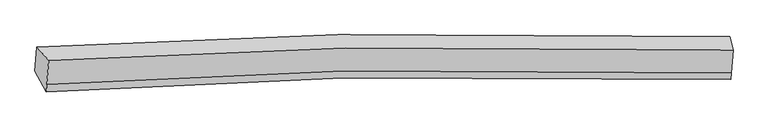
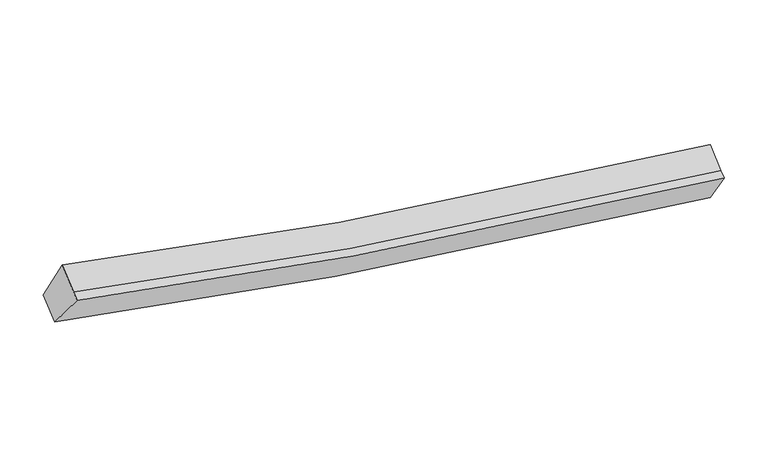
"""IFC4 building model written with IfcOpenShell, lengths in millimetres: proxy geometry."""

from ifc_helpers import new_model, si_unit, frame, origin, place, context, project, spatial, source, transform, mapped, element, save
from ifc_brep_helpers import plane_surface, spline_curve, spline_surface, advanced_brep


def generic_models_598e12d9(model_context):
    return source(origin(), model_context, "Body", "AdvancedBrep", [
        advanced_brep(
        [(-5521.8643096, -1825.6934872, 3974.9857579), (-5310.7267404, -2070.0123312, 4636.1024), (6888.2905743, -1882.5363267, 2630.4208061), (6831.890372, -1640.1136862, 1959.7948344), (-5345.6820243, -2496.9074296, 4374.5087013), (6854.7282392, -2292.4198905, 2379.2514723), (-5356.4773776, -2628.7468231, 4293.7198736), (6844.9775975, -2411.5006329, 2306.2809182), (-5557.0647997, -2255.5831921, 3711.5570178), (6798.8344827, -2043.8122273, 1712.4155721)],
        [
            (0, 1),
            (1, 2, spline_curve(3, [(-5310.7267404, -2070.0123312, 4636.1024), (-3559.564679223, -1961.676849949, 4185.677602317), (-1795.937616648, -1888.784964, 3804.326449018), (2262.286603821, -1803.218702104, 3090.798040388), (4564.998646163, -1813.618586314, 2803.588661958), (6888.2905743, -1882.5363267, 2630.4208061)], [4, 2, 4], [0.0, 17.88936021913779, 40.87571607096389])),
            (2, 3),
            (3, 0, spline_curve(3, [(6831.890372, -1640.1136862, 1959.7948344), (4481.455055359, -1572.13330412, 2140.063803108), (2150.552532702, -1561.943775068, 2431.383394885), (-1959.663689713, -1646.59130347, 3146.902234247), (-3746.679394634, -1718.640766101, 3527.312950268), (-5521.8643096, -1825.6934872, 3974.9857579)], [4, 2, 4], [0.0, 22.9863558518261, 40.87571607096389])),
            (1, 4),
            (4, 5, spline_curve(3, [(-5345.6820243, -2496.9074296, 4374.5087013), (-3593.852437575, -2380.419723089, 3929.079441278), (-1829.761058647, -2301.857325672, 3551.203077153), (2229.05976983, -2209.004922802, 2842.139484713), (4531.771812052, -2219.404807124, 2554.930106058), (6854.7282392, -2292.4198905, 2379.2514723)], [4, 2, 4], [0.0, 17.779331171882873, 40.624308751749695])),
            (5, 2),
            (4, 6),
            (6, 7, spline_curve(3, [(-5356.4773776, -2628.7468231, 4293.7198736), (-3604.147146683, -2506.144947685, 3852.037267687), (-1839.707530938, -2423.329666335, 3476.766994), (2219.560754325, -2325.012658455, 2771.052014854), (4522.272796556, -2335.412542289, 2483.842636038), (6844.9775975, -2411.5006329, 2306.2809182)], [4, 2, 4], [0.0, 17.779209783159835, 40.62403138850605])),
            (7, 5),
            (6, 8),
            (8, 9, spline_curve(3, [(-5557.0647997, -2255.5831921, 3711.5570178), (-3780.852154553, -2135.979206994, 3271.575401236), (-1993.121582912, -2055.199356219, 2896.514510693), (2118.013185561, -1959.333997679, 2187.869757517), (4448.915707085, -1969.523526728, 1896.550165446), (6798.8344827, -2043.8122273, 1712.4155721)], [4, 2, 4], [0.0, 17.889131539403724, 40.87519355658851])),
            (9, 7),
            (8, 0),
            (3, 9),
        ],
        [
            spline_surface(3, 3, [[(-5521.8643096, -1825.6934872, 3974.9857579), (-3746.679394743, -1718.64076618, 3527.312950375), (-1959.663689854, -1646.591303548, 3146.902234397), (2150.552532882, -1561.943774968, 2431.383394694), (4481.455055182, -1572.133303954, 2140.06380287), (6831.890372, -1640.1136862, 1959.7948344)], [(-5451.485119848, -1907.133101872, 4195.357971922), (-3684.307822868, -1799.652794057, 3746.767834254), (-1905.088332083, -1727.322523702, 3366.043639364), (2187.797223161, -1642.368750683, 2651.18827652), (4509.302918792, -1652.628398116, 2361.238755791), (6850.690439429, -1720.921233044, 2183.33682497)], [(-5381.105930152, -1988.572716528, 4415.730185978), (-3621.936251049, -1880.664821917, 3966.222718167), (-1850.512974328, -1808.053743847, 3585.185044268), (2225.041913426, -1722.793726389, 2870.993158282), (4537.150782413, -1733.123492247, 2582.4137087), (6869.490506871, -1801.728779856, 2406.87881553)], [(-5310.7267404, -2070.0123312, 4636.1024), (-3559.564679174, -1961.676849794, 4185.677602046), (-1795.937616557, -1888.784964, 3804.326449236), (2262.286603705, -1803.218702104, 3090.798040109), (4564.998646023, -1813.618586409, 2803.58866162), (6888.2905743, -1882.5363267, 2630.4208061)]], [4, 4], [4, 2, 4], [0.0, 2.342109071170556], [0.0, 17.88936021913779, 40.87571607096389]),
            spline_surface(3, 3, [[(-5310.7267404, -2070.0123312, 4636.1024), (-3559.564679174, -1961.676849794, 4185.677602046), (-1795.937616557, -1888.784964, 3804.326449236), (2262.286603705, -1803.218702104, 3090.798040109), (4564.998646023, -1813.618586409, 2803.58866162), (6888.2905743, -1882.5363267, 2630.4208061)], [(-5322.378501689, -2212.310697335, 4548.904500427), (-3570.993931977, -2101.257807521, 4100.144881855), (-1807.212097269, -2026.475751212, 3719.951991808), (2251.210992394, -1938.480775737, 3007.911855024), (4553.923034712, -1948.880660042, 2720.702476535), (6877.103129283, -2019.164181289, 2546.697694816)], [(-5334.030263011, -2354.609063465, 4461.706600873), (-3582.423184812, -2240.838765244, 4014.612161684), (-1818.48657793, -2164.166538356, 3635.577534432), (2240.135381134, -2073.742849302, 2925.02566999), (4542.847423352, -2084.142733707, 2637.816291502), (6865.915684217, -2155.792035911, 2462.974583584)], [(-5345.6820243, -2496.9074296, 4374.5087013), (-3593.852437614, -2380.419722971, 3929.079441493), (-1829.761058642, -2301.857325568, 3551.203077004), (2229.059769824, -2209.004922935, 2842.139484905), (4531.771812042, -2219.40480734, 2554.930106417), (6854.7282392, -2292.4198905, 2379.2514723)]], [4, 4], [4, 2, 4], [0.0, 1.576326782341512], [0.0, 17.779331171882873, 40.624308751749695]),
            spline_surface(3, 3, [[(-5345.6820243, -2496.9074296, 4374.5087013), (-3593.852437614, -2380.419722971, 3929.079441493), (-1829.761058642, -2301.857325568, 3551.203077004), (2229.059769824, -2209.004922935, 2842.139484905), (4531.771812042, -2219.40480734, 2554.930106417), (6854.7282392, -2292.4198905, 2379.2514723)], [(-5349.28047541, -2540.853894077, 4347.579092056), (-3597.28400736, -2422.328131142, 3903.398716786), (-1833.076549319, -2342.348105853, 3526.391049369), (2225.893431197, -2247.674168036, 2818.443661527), (4528.605473415, -2258.074052441, 2531.234283039), (6851.478025294, -2332.113471318, 2354.927954273)], [(-5352.87892649, -2584.800358623, 4320.649482844), (-3600.715577074, -2464.236539382, 3877.717992111), (-1836.392039979, -2382.838886184, 3501.579021715), (2222.727092589, -2286.343413183, 2794.74783813), (4525.439134807, -2296.743297488, 2507.538459642), (6848.227811406, -2371.807052082, 2330.604436227)], [(-5356.4773776, -2628.7468231, 4293.7198736), (-3604.14714682, -2506.144947553, 3852.037267403), (-1839.707530656, -2423.329666469, 3476.76699408), (2219.560753963, -2325.012658284, 2771.052014752), (4522.272796181, -2335.412542588, 2483.842636264), (6844.9775975, -2411.5006329, 2306.2809182)]], [4, 4], [4, 2, 4], [0.0, 0.4558122000312921], [0.0, 17.779209783159835, 40.62403138850605]),
            spline_surface(3, 3, [[(-5356.4773776, -2628.7468231, 4293.7198736), (-3604.14714682, -2506.144947553, 3852.037267403), (-1839.707530656, -2423.329666469, 3476.76699408), (2219.560753963, -2325.012658284, 2771.052014752), (4522.272796181, -2335.412542588, 2483.842636264), (6844.9775975, -2411.5006329, 2306.2809182)], [(-5423.339851637, -2504.358946105, 4099.665588354), (-3663.048816084, -2382.756367332, 3658.549978628), (-1890.845547998, -2300.619563066, 3283.34949969), (2185.711564387, -2203.119771385, 2576.65792894), (4497.820433274, -2213.449537242, 2288.078479357), (6829.596559238, -2288.93783102, 2108.325802829)], [(-5490.202325663, -2379.971069095, 3905.611303046), (-3721.950485336, -2259.367787095, 3465.062689789), (-1941.983565327, -2177.90945968, 3089.932005267), (2151.862374824, -2081.226884503, 2382.263843094), (4473.368070355, -2091.486531937, 2092.314322465), (6814.215520962, -2166.37502918, 1910.370687471)], [(-5557.0647997, -2255.5831921, 3711.5570178), (-3780.8521546, -2135.979206874, 3271.575401014), (-1993.121582669, -2055.199356277, 2896.514510876), (2118.013185248, -1959.333997604, 2187.869757281), (4448.915707449, -1969.523526591, 1896.550165558), (6798.8344827, -2043.8122273, 1712.4155721)]], [4, 4], [4, 2, 4], [0.0, 2.2919351310011447], [0.0, 17.889131539403724, 40.87519355658851]),
            spline_surface(3, 3, [[(-5557.0647997, -2255.5831921, 3711.5570178), (-3780.8521546, -2135.979206874, 3271.575401014), (-1993.121582669, -2055.199356277, 2896.514510876), (2118.013185248, -1959.333997604, 2187.869757281), (4448.915707449, -1969.523526591, 1896.550165558), (6798.8344827, -2043.8122273, 1712.4155721)], [(-5545.331303015, -2112.286623811, 3799.366597841), (-3769.461234663, -1996.866393321, 3356.821250809), (-1981.968951708, -1918.99667203, 2979.977085361), (2128.859634482, -1826.870590054, 2269.040969731), (4459.762156682, -1837.060119041, 1977.721378007), (6809.853112456, -1909.246046929, 1794.875326212)], [(-5533.597806285, -1968.990055489, 3887.176177859), (-3758.07031468, -1857.753579733, 3442.06710058), (-1970.816320814, -1782.793987795, 3063.439659911), (2139.706083649, -1694.407182517, 2350.212182245), (4470.608605949, -1704.596711504, 2058.892590421), (6820.871742244, -1774.679866571, 1877.335080288)], [(-5521.8643096, -1825.6934872, 3974.9857579), (-3746.679394743, -1718.64076618, 3527.312950375), (-1959.663689854, -1646.591303548, 3146.902234397), (2150.552532882, -1561.943774968, 2431.383394694), (4481.455055182, -1572.133303954, 2140.06380287), (6831.890372, -1640.1136862, 1959.7948344)]], [4, 4], [4, 2, 4], [0.0, 1.549947882763566], [0.0, 17.999168118095312, 41.12661808451579]),
            plane_surface(frame((6840.9982566, -1994.4907183, 2152.2280327), z_axis=(0.9953913573596814, -0.024729383321729206, -0.09265259464352735), x_axis=(-0.06591873540956741, 0.5252691509147005, -0.8483790658776023))),
            plane_surface(frame((-5436.5333068, -2195.0089584, 4154.0912623), z_axis=(-0.9578803770410195, -0.08889398715595193, 0.27306234146669167), x_axis=(-0.06964744084218938, -0.8505767318109125, -0.521218243431675))),
        ],
        [
            (0, [[1, 2, 3, 4]]),
            (1, [[5, 6, 7, -2]]),
            (2, [[8, 9, 10, -6]]),
            (3, [[11, 12, 13, -9]]),
            (4, [[14, -4, 15, -12]]),
            (5, [[-13, -15, -3, -7, -10]]),
            (6, [[-14, -11, -8, -5, -1]]),
        ],
    ),
    ])


if __name__ == "__main__":
    model = new_model("IFC4")
    model_context = context("Model", 3, world=origin())
    ifc_project = project(units=[si_unit("LENGTHUNIT", "METRE", prefix="MILLI")], contexts=[model_context])
    site = spatial("IfcSite", under=ifc_project)
    building = spatial("IfcBuilding", under=site)
    placement = place(None, origin())
    generic_models_shape = generic_models_598e12d9(model_context)
    element("IfcBuildingElementProxy", 1, Name="Generic Models", at=placement, inside=building, context=model_context, shape_type="MappedRepresentation", body=[
        mapped(generic_models_shape, transform((0.0, 0.0, 0.0), x_axis=(1.0, 0.0, 0.0), y_axis=(0.0, 1.0, 0.0), z_axis=(0.0, 0.0, 1.0))),
    ])
    save(model, "model.ifc")
